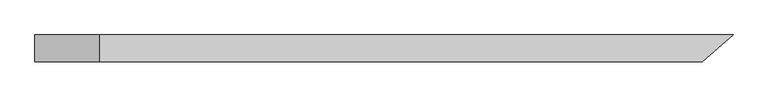
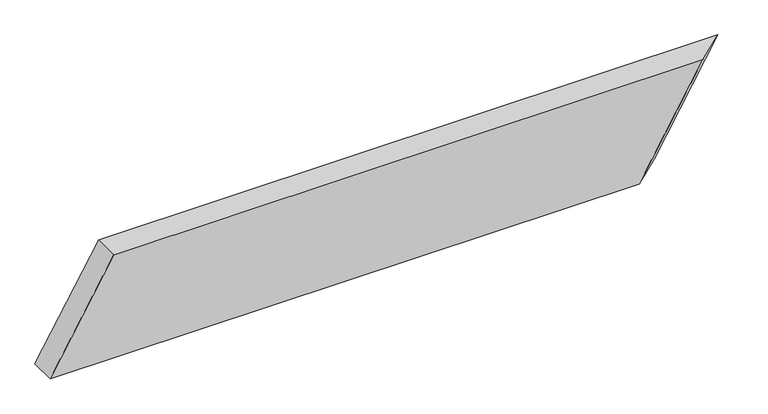
"""IFC4 building model written with IfcOpenShell, lengths in millimetres: beam geometry."""

from ifc_helpers import new_model, si_unit, origin, place, context, project, spatial, faceted_brep, source, transform, mapped, element, save


def beam_d0090cd8(model_context):
    return source(origin(), model_context, "Body", "Brep", [
        faceted_brep([(584.833155, -24.0, 100.0), (-495.9513763, -24.0, 100.0), (-612.6180429, -24.0, -100.0), (468.1664883, -24.0, -100.0), (640.4029309, 24.0, 100.0), (523.7362643, 24.0, -100.0), (-612.6180429, 24.0, -100.0), (-495.9513763, 24.0, 100.0)], [[[0, 1, 2, 3]], [[4, 5, 6, 7]], [[5, 4, 0, 3]], [[6, 5, 3, 2]], [[7, 6, 2, 1]], [[4, 7, 1, 0]]]),
    ])


if __name__ == "__main__":
    model = new_model("IFC4")
    model_context = context("Model", 3, world=origin())
    ifc_project = project(units=[si_unit("LENGTHUNIT", "METRE", prefix="MILLI")], contexts=[model_context])
    site = spatial("IfcSite", under=ifc_project)
    building = spatial("IfcBuilding", under=site)
    placement = place(None, origin())
    beam_shape = beam_d0090cd8(model_context)
    element("IfcBeam", 1, at=placement, inside=building, context=model_context, shape_type="MappedRepresentation", body=[
        mapped(beam_shape, transform((0.0, 0.0, 0.0), x_axis=(1.0, 0.0, 0.0), y_axis=(0.0, 1.0, 0.0), z_axis=(0.0, 0.0, 1.0))),
    ])
    save(model, "model.ifc")
